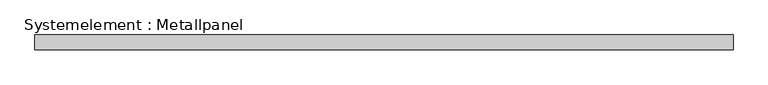
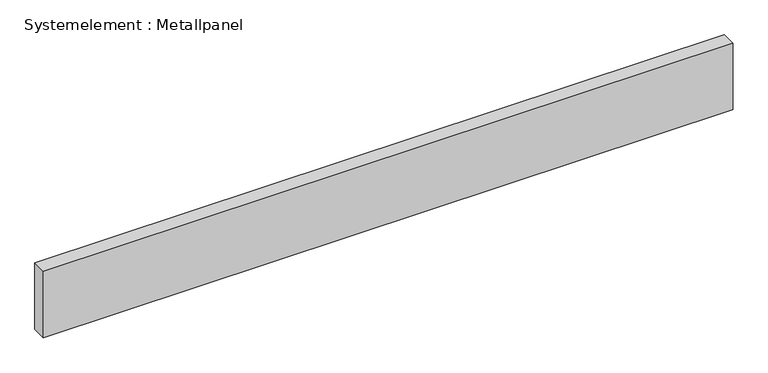
"""IFC4 building model written with IfcOpenShell, lengths in millimetres: plate geometry, Systemelement : Metallpanel."""

import ifcopenshell
import ifcopenshell.guid

model = None  # the IFC model being written
_history = None  # IfcOwnerHistory: only IFC2X3 demands one
_inside = {}  # id of a spatial element -> (the spatial element, [elements in it])
_under = {}  # id of a project, library or spatial element -> (it, [spatial elements below it])
_declared = {}  # id of a project -> (the project, [libraries it declares])
_typed = {}  # id of a type object -> (the type object, [elements of that type])
_made_of = {}  # id of a material, layer set ... -> (it, [elements and type objects made of it])


def new_model(schema):
    """Start an empty IFC model of exactly this schema.

    Asked for "IFC4X3", IfcOpenShell would pick the latest addendum, in which some entities
    have other attributes; the version numbers below select the first issue.
    IFC2X3 requires an IfcOwnerHistory on every rooted entity: one is made here for all.
    """
    global model, _history
    if schema == "IFC4X3":
        model = ifcopenshell.file(schema_version=(4, 3, 0, 0))
    else:
        model = ifcopenshell.file(schema=schema)
    _inside.clear()
    _under.clear()
    _declared.clear()
    _typed.clear()
    _made_of.clear()
    _history = None
    if model.schema == "IFC2X3":
        org = make("IfcOrganization", Name="unknown")
        user = make(
            "IfcPersonAndOrganization",
            ThePerson=make("IfcPerson", FamilyName="unknown"),
            TheOrganization=org,
        )
        app = make(
            "IfcApplication",
            ApplicationDeveloper=org,
            Version="unknown",
            ApplicationFullName="unknown",
            ApplicationIdentifier="unknown",
        )
        _history = make(
            "IfcOwnerHistory",
            OwningUser=user,
            OwningApplication=app,
            ChangeAction="ADDED",
            CreationDate=0,
        )
    return model


def make(cls, **values):
    """One entity of the class cls with the attributes given. An attribute that is None is left unset."""
    return model.create_entity(
        cls, **{name: value for name, value in values.items() if value is not None}
    )


def rooted(cls, **values):
    """An entity with a GlobalId (a new one), such as an element, a storey or a relation."""
    return make(cls, GlobalId=ifcopenshell.guid.new(), OwnerHistory=_history, **values)


def si_unit(unit_type, name, prefix=None):
    """IfcSIUnit, for example si_unit("LENGTHUNIT", "METRE", prefix="MILLI")."""
    return make("IfcSIUnit", UnitType=unit_type, Prefix=prefix, Name=name)


def assignment(units):
    """IfcUnitAssignment: the units of a project."""
    return None if units is None else make("IfcUnitAssignment", Units=units)


def point(xyz):
    """IfcCartesianPoint."""
    return None if xyz is None else make("IfcCartesianPoint", Coordinates=xyz)


def direction(xyz):
    """IfcDirection."""
    return None if xyz is None else make("IfcDirection", DirectionRatios=xyz)


def frame(location, z_axis=None, x_axis=None):
    """IfcAxis2Placement3D, a coordinate frame: its origin and axes. An axis left out is left unset."""
    return make(
        "IfcAxis2Placement3D",
        Location=point(location),
        Axis=direction(z_axis),
        RefDirection=direction(x_axis),
    )


def origin():
    """The frame at (0, 0, 0) with its axes left unset."""
    return frame((0.0, 0.0, 0.0))


def origin_with_axes():
    """The frame at (0, 0, 0) with the z axis (0, 0, 1) and the x axis (1, 0, 0) written out."""
    return frame((0.0, 0.0, 0.0), z_axis=(0.0, 0.0, 1.0), x_axis=(1.0, 0.0, 0.0))


def place(relative_to, where):
    """IfcLocalPlacement: puts the frame where relative to a parent placement (None: the world)."""
    return make(
        "IfcLocalPlacement", PlacementRelTo=relative_to, RelativePlacement=where
    )


def context(
    kind, dimensions, precision=None, world=None, true_north=None, identifier=None
):
    """IfcGeometricRepresentationContext, for example the 3D "Model" context."""
    return make(
        "IfcGeometricRepresentationContext",
        ContextIdentifier=identifier,
        ContextType=kind,
        CoordinateSpaceDimension=dimensions,
        Precision=precision,
        WorldCoordinateSystem=world,
        TrueNorth=true_north,
    )


def project(units=None, contexts=None):
    """IfcProject with its units and contexts."""
    return rooted(
        "IfcProject",
        Name="project",
        RepresentationContexts=contexts,
        UnitsInContext=assignment(units),
    )


def spatial(cls, under=None, at=None, **own):
    """A site, building, storey or space (cls), placed at a placement, below another one or the project."""
    s = rooted(cls, ObjectPlacement=at, **own)
    if under is not None:
        _under.setdefault(under.id(), (under, []))[1].append(s)
    return s


def polyline(points):
    """IfcPolyline through the points."""
    return make("IfcPolyline", Points=[point(p) for p in points])


def outline(outer, holes=None, kind="AREA"):
    """IfcArbitraryClosedProfileDef: a profile drawn as a closed curve; with holes, ...WithVoids."""
    if holes is None:
        return make("IfcArbitraryClosedProfileDef", ProfileType=kind, OuterCurve=outer)
    return make(
        "IfcArbitraryProfileDefWithVoids",
        ProfileType=kind,
        OuterCurve=outer,
        InnerCurves=holes,
    )


def extrude(swept, where, along, depth):
    """IfcExtrudedAreaSolid: the profile swept, set in the frame where, extruded along a direction by depth."""
    return make(
        "IfcExtrudedAreaSolid",
        SweptArea=swept,
        Position=where,
        ExtrudedDirection=direction(along),
        Depth=depth,
    )


def shape(context_of_items, identifier, shape_type, items):
    """IfcShapeRepresentation: the items that make up one representation, for example the "Body"."""
    return make(
        "IfcShapeRepresentation",
        ContextOfItems=context_of_items,
        RepresentationIdentifier=identifier,
        RepresentationType=shape_type,
        Items=items,
    )


def source(mapping_origin, context_of_items, identifier, shape_type, items):
    """IfcRepresentationMap: a shape defined once, which mapped items show again and again."""
    return make(
        "IfcRepresentationMap",
        MappingOrigin=mapping_origin,
        MappedRepresentation=shape(context_of_items, identifier, shape_type, items),
    )


def transform(
    local_origin,
    x_axis=None,
    y_axis=None,
    z_axis=None,
    scale=None,
    scale2=None,
    scale3=None,
    uniform=True,
):
    """IfcCartesianTransformationOperator3D, or its non-uniform kind. x_axis, y_axis, z_axis: its Axis1, 2, 3."""
    if uniform:
        return make(
            "IfcCartesianTransformationOperator3D",
            Axis1=direction(x_axis),
            Axis2=direction(y_axis),
            LocalOrigin=point(local_origin),
            Scale=scale,
            Axis3=direction(z_axis),
        )
    return make(
        "IfcCartesianTransformationOperator3DnonUniform",
        Axis1=direction(x_axis),
        Axis2=direction(y_axis),
        LocalOrigin=point(local_origin),
        Scale=scale,
        Axis3=direction(z_axis),
        Scale2=scale2,
        Scale3=scale3,
    )


def mapped(mapping_source, mapping_target):
    """IfcMappedItem: shows the shape of a source again, moved by a transform."""
    return make(
        "IfcMappedItem", MappingSource=mapping_source, MappingTarget=mapping_target
    )


def made_of(thing, what):
    """Note that an element or type object is made of a material, layer set ...; save() writes the relation."""
    if what is not None:
        _made_of.setdefault(what.id(), (what, []))[1].append(thing)
    return thing


def element(
    cls,
    number,
    at=None,
    inside=None,
    cuts=None,
    type_object=None,
    material=None,
    context=None,
    identifier="Body",
    shape_type=None,
    held_by="IfcProductDefinitionShape",
    body=None,
    shapes=None,
    **own,
):
    """One element of the class cls, such as IfcWall. Its Tag is "e" and its number.

    at: its placement. inside: the storey or other place that contains it. cuts: it is an
    opening in that element (IfcRelVoidsElement). A single representation is given by context,
    identifier, shape_type and body (its items); several are given by shapes. held_by: the class
    of the entity that holds the representations. save() writes the other relations.
    """
    e = rooted(cls, Tag="e%d" % number, ObjectPlacement=at, **own)
    if body is not None:
        shapes = [shape(context, identifier, shape_type, body)]
    if shapes is not None:
        e.Representation = make(held_by, Representations=shapes)
    if inside is not None:
        _inside.setdefault(inside.id(), (inside, []))[1].append(e)
    if cuts is not None:
        rooted(
            "IfcRelVoidsElement", RelatingBuildingElement=cuts, RelatedOpeningElement=e
        )
    if type_object is not None:
        _typed.setdefault(type_object.id(), (type_object, []))[1].append(e)
    return made_of(e, material)


def aggregate(whole, parts):
    """IfcRelAggregates: a whole, such as a stair, and the parts it consists of."""
    return rooted("IfcRelAggregates", RelatingObject=whole, RelatedObjects=parts)


def save(model, path):
    """Write the relations noted so far, then the file.

    IfcRelAggregates (storeys below a building ...), IfcRelContainedInSpatialStructure (elements
    in a storey), IfcRelDefinesByType, IfcRelAssociatesMaterial and IfcRelDeclares: one each for
    every whole, place, type object, material and project.
    """
    for whole, parts in _under.values():
        aggregate(whole, parts)
    for where, things in _inside.values():
        rooted(
            "IfcRelContainedInSpatialStructure",
            RelatedElements=things,
            RelatingStructure=where,
        )
    for kind, things in _typed.values():
        rooted("IfcRelDefinesByType", RelatedObjects=things, RelatingType=kind)
    for what, things in _made_of.values():
        rooted("IfcRelAssociatesMaterial", RelatedObjects=things, RelatingMaterial=what)
    for by, libraries in _declared.values():
        rooted("IfcRelDeclares", RelatingContext=by, RelatedDefinitions=libraries)
    model.write(path)


def systemelement_metallpanel_1e59f49c(model_context):
    return source(origin(), model_context, "Body", "SweptSolid", [
        extrude(outline(polyline([(709.8201191, -15.0), (-709.8201191, -15.0), (-709.8201191, 15.0), (709.8201191, 15.0), (709.8201191, -15.0)])), origin_with_axes(), (0.0, 0.0, 1.0), 145.0),
    ])


if __name__ == "__main__":
    model = new_model("IFC4")
    model_context = context("Model", 3, world=origin())
    ifc_project = project(units=[si_unit("LENGTHUNIT", "METRE", prefix="MILLI")], contexts=[model_context])
    site = spatial("IfcSite", under=ifc_project)
    building = spatial("IfcBuilding", under=site)
    placement = place(None, origin())
    systemelement_metallpanel_shape = systemelement_metallpanel_1e59f49c(model_context)
    element("IfcPlate", 1, ObjectType="Systemelement : Metallpanel", at=placement, inside=building, context=model_context, shape_type="MappedRepresentation", body=[
        mapped(systemelement_metallpanel_shape, transform((0.0, 0.0, 0.0), x_axis=(1.0, 0.0, 0.0), y_axis=(0.0, 1.0, 0.0), z_axis=(0.0, 0.0, 1.0))),
    ])
    save(model, "model.ifc")
